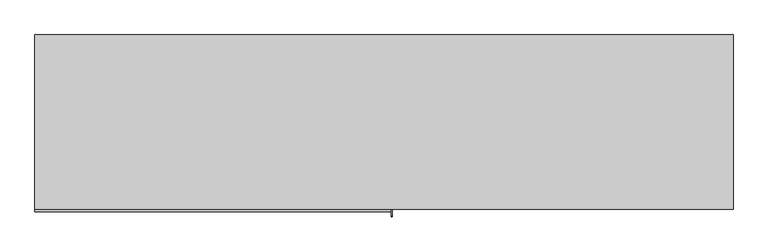
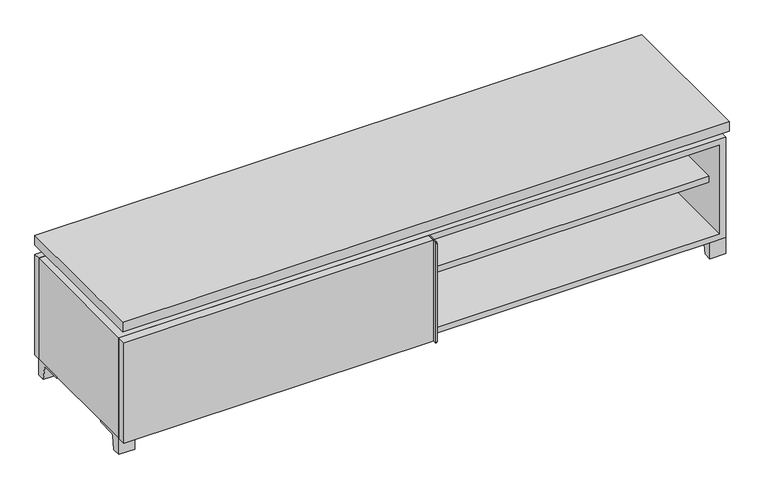
"""IFC4 building model written with IfcOpenShell, lengths in millimetres: furniture geometry."""

import ifcopenshell
import ifcopenshell.guid

model = None  # the IFC model being written
_history = None  # IfcOwnerHistory: only IFC2X3 demands one
_inside = {}  # id of a spatial element -> (the spatial element, [elements in it])
_under = {}  # id of a project, library or spatial element -> (it, [spatial elements below it])
_declared = {}  # id of a project -> (the project, [libraries it declares])
_typed = {}  # id of a type object -> (the type object, [elements of that type])
_made_of = {}  # id of a material, layer set ... -> (it, [elements and type objects made of it])


def new_model(schema):
    """Start an empty IFC model of exactly this schema.

    Asked for "IFC4X3", IfcOpenShell would pick the latest addendum, in which some entities
    have other attributes; the version numbers below select the first issue.
    IFC2X3 requires an IfcOwnerHistory on every rooted entity: one is made here for all.
    """
    global model, _history
    if schema == "IFC4X3":
        model = ifcopenshell.file(schema_version=(4, 3, 0, 0))
    else:
        model = ifcopenshell.file(schema=schema)
    _inside.clear()
    _under.clear()
    _declared.clear()
    _typed.clear()
    _made_of.clear()
    _history = None
    if model.schema == "IFC2X3":
        org = make("IfcOrganization", Name="unknown")
        user = make(
            "IfcPersonAndOrganization",
            ThePerson=make("IfcPerson", FamilyName="unknown"),
            TheOrganization=org,
        )
        app = make(
            "IfcApplication",
            ApplicationDeveloper=org,
            Version="unknown",
            ApplicationFullName="unknown",
            ApplicationIdentifier="unknown",
        )
        _history = make(
            "IfcOwnerHistory",
            OwningUser=user,
            OwningApplication=app,
            ChangeAction="ADDED",
            CreationDate=0,
        )
    return model


def make(cls, **values):
    """One entity of the class cls with the attributes given. An attribute that is None is left unset."""
    return model.create_entity(
        cls, **{name: value for name, value in values.items() if value is not None}
    )


def rooted(cls, **values):
    """An entity with a GlobalId (a new one), such as an element, a storey or a relation."""
    return make(cls, GlobalId=ifcopenshell.guid.new(), OwnerHistory=_history, **values)


def si_unit(unit_type, name, prefix=None):
    """IfcSIUnit, for example si_unit("LENGTHUNIT", "METRE", prefix="MILLI")."""
    return make("IfcSIUnit", UnitType=unit_type, Prefix=prefix, Name=name)


def assignment(units):
    """IfcUnitAssignment: the units of a project."""
    return None if units is None else make("IfcUnitAssignment", Units=units)


def point(xyz):
    """IfcCartesianPoint."""
    return None if xyz is None else make("IfcCartesianPoint", Coordinates=xyz)


def direction(xyz):
    """IfcDirection."""
    return None if xyz is None else make("IfcDirection", DirectionRatios=xyz)


def frame(location, z_axis=None, x_axis=None):
    """IfcAxis2Placement3D, a coordinate frame: its origin and axes. An axis left out is left unset."""
    return make(
        "IfcAxis2Placement3D",
        Location=point(location),
        Axis=direction(z_axis),
        RefDirection=direction(x_axis),
    )


def frame_2d(location, x_axis=None):
    """IfcAxis2Placement2D, a coordinate frame in the plane: its origin and x axis."""
    return make(
        "IfcAxis2Placement2D", Location=point(location), RefDirection=direction(x_axis)
    )


def origin():
    """The frame at (0, 0, 0) with its axes left unset."""
    return frame((0.0, 0.0, 0.0))


def place(relative_to, where):
    """IfcLocalPlacement: puts the frame where relative to a parent placement (None: the world)."""
    return make(
        "IfcLocalPlacement", PlacementRelTo=relative_to, RelativePlacement=where
    )


def context(
    kind, dimensions, precision=None, world=None, true_north=None, identifier=None
):
    """IfcGeometricRepresentationContext, for example the 3D "Model" context."""
    return make(
        "IfcGeometricRepresentationContext",
        ContextIdentifier=identifier,
        ContextType=kind,
        CoordinateSpaceDimension=dimensions,
        Precision=precision,
        WorldCoordinateSystem=world,
        TrueNorth=true_north,
    )


def project(units=None, contexts=None):
    """IfcProject with its units and contexts."""
    return rooted(
        "IfcProject",
        Name="project",
        RepresentationContexts=contexts,
        UnitsInContext=assignment(units),
    )


def spatial(cls, under=None, at=None, **own):
    """A site, building, storey or space (cls), placed at a placement, below another one or the project."""
    s = rooted(cls, ObjectPlacement=at, **own)
    if under is not None:
        _under.setdefault(under.id(), (under, []))[1].append(s)
    return s


def polyline(points):
    """IfcPolyline through the points."""
    return make("IfcPolyline", Points=[point(p) for p in points])


def circle_curve(where, radius):
    """IfcCircle in the frame where."""
    return make("IfcCircle", Position=where, Radius=radius)


def trimmed(basis, trim1, trim2, sense, master):
    """IfcTrimmedCurve: the piece of a basis curve between two trims."""
    return make(
        "IfcTrimmedCurve",
        BasisCurve=basis,
        Trim1=trim1,
        Trim2=trim2,
        SenseAgreement=sense,
        MasterRepresentation=master,
    )


def segment(curve, same_sense, transition):
    """IfcCompositeCurveSegment."""
    return make(
        "IfcCompositeCurveSegment",
        Transition=transition,
        SameSense=same_sense,
        ParentCurve=curve,
    )


def composite_curve(segments, self_intersect=None):
    """IfcCompositeCurve: segments joined end to end."""
    return make("IfcCompositeCurve", Segments=segments, SelfIntersect=self_intersect)


def outline(outer, holes=None, kind="AREA"):
    """IfcArbitraryClosedProfileDef: a profile drawn as a closed curve; with holes, ...WithVoids."""
    if holes is None:
        return make("IfcArbitraryClosedProfileDef", ProfileType=kind, OuterCurve=outer)
    return make(
        "IfcArbitraryProfileDefWithVoids",
        ProfileType=kind,
        OuterCurve=outer,
        InnerCurves=holes,
    )


def extrude(swept, where, along, depth):
    """IfcExtrudedAreaSolid: the profile swept, set in the frame where, extruded along a direction by depth."""
    return make(
        "IfcExtrudedAreaSolid",
        SweptArea=swept,
        Position=where,
        ExtrudedDirection=direction(along),
        Depth=depth,
    )


def faces_of(points, faces, orient=None, outer=None):
    """IfcFace entities. A face is a list of loops; a loop is a list of indices into points, from 0.

    orient and outer hold one flag for each loop. By default every Orientation is true, the
    first loop of a face is its IfcFaceOuterBound and the others are IfcFaceBound.
    """
    made = []
    for i, loops in enumerate(faces):
        bounds = []
        for j, loop in enumerate(loops):
            is_outer = j == 0 if outer is None else outer[i][j]
            bounds.append(
                make(
                    "IfcFaceOuterBound" if is_outer else "IfcFaceBound",
                    Bound=make("IfcPolyLoop", Polygon=[points[k] for k in loop]),
                    Orientation=True if orient is None else orient[i][j],
                )
            )
        made.append(make("IfcFace", Bounds=bounds))
    return made


def faceted_brep(points, faces, orient=None, outer=None, voids=None):
    """IfcFacetedBrep: a solid bounded by flat faces; with voids (closed shells), ...WithVoids."""
    shared = [point(p) for p in points]
    hull = make("IfcClosedShell", CfsFaces=faces_of(shared, faces, orient, outer))
    if voids is None:
        return make("IfcFacetedBrep", Outer=hull)
    return make(
        "IfcFacetedBrepWithVoids",
        Outer=hull,
        Voids=[
            make(cls, CfsFaces=faces_of(shared, fs, o, b)) for cls, fs, o, b in voids
        ],
    )


def shape(context_of_items, identifier, shape_type, items):
    """IfcShapeRepresentation: the items that make up one representation, for example the "Body"."""
    return make(
        "IfcShapeRepresentation",
        ContextOfItems=context_of_items,
        RepresentationIdentifier=identifier,
        RepresentationType=shape_type,
        Items=items,
    )


def source(mapping_origin, context_of_items, identifier, shape_type, items):
    """IfcRepresentationMap: a shape defined once, which mapped items show again and again."""
    return make(
        "IfcRepresentationMap",
        MappingOrigin=mapping_origin,
        MappedRepresentation=shape(context_of_items, identifier, shape_type, items),
    )


def transform(
    local_origin,
    x_axis=None,
    y_axis=None,
    z_axis=None,
    scale=None,
    scale2=None,
    scale3=None,
    uniform=True,
):
    """IfcCartesianTransformationOperator3D, or its non-uniform kind. x_axis, y_axis, z_axis: its Axis1, 2, 3."""
    if uniform:
        return make(
            "IfcCartesianTransformationOperator3D",
            Axis1=direction(x_axis),
            Axis2=direction(y_axis),
            LocalOrigin=point(local_origin),
            Scale=scale,
            Axis3=direction(z_axis),
        )
    return make(
        "IfcCartesianTransformationOperator3DnonUniform",
        Axis1=direction(x_axis),
        Axis2=direction(y_axis),
        LocalOrigin=point(local_origin),
        Scale=scale,
        Axis3=direction(z_axis),
        Scale2=scale2,
        Scale3=scale3,
    )


def mapped(mapping_source, mapping_target):
    """IfcMappedItem: shows the shape of a source again, moved by a transform."""
    return make(
        "IfcMappedItem", MappingSource=mapping_source, MappingTarget=mapping_target
    )


def made_of(thing, what):
    """Note that an element or type object is made of a material, layer set ...; save() writes the relation."""
    if what is not None:
        _made_of.setdefault(what.id(), (what, []))[1].append(thing)
    return thing


def element(
    cls,
    number,
    at=None,
    inside=None,
    cuts=None,
    type_object=None,
    material=None,
    context=None,
    identifier="Body",
    shape_type=None,
    held_by="IfcProductDefinitionShape",
    body=None,
    shapes=None,
    **own,
):
    """One element of the class cls, such as IfcWall. Its Tag is "e" and its number.

    at: its placement. inside: the storey or other place that contains it. cuts: it is an
    opening in that element (IfcRelVoidsElement). A single representation is given by context,
    identifier, shape_type and body (its items); several are given by shapes. held_by: the class
    of the entity that holds the representations. save() writes the other relations.
    """
    e = rooted(cls, Tag="e%d" % number, ObjectPlacement=at, **own)
    if body is not None:
        shapes = [shape(context, identifier, shape_type, body)]
    if shapes is not None:
        e.Representation = make(held_by, Representations=shapes)
    if inside is not None:
        _inside.setdefault(inside.id(), (inside, []))[1].append(e)
    if cuts is not None:
        rooted(
            "IfcRelVoidsElement", RelatingBuildingElement=cuts, RelatedOpeningElement=e
        )
    if type_object is not None:
        _typed.setdefault(type_object.id(), (type_object, []))[1].append(e)
    return made_of(e, material)


def aggregate(whole, parts):
    """IfcRelAggregates: a whole, such as a stair, and the parts it consists of."""
    return rooted("IfcRelAggregates", RelatingObject=whole, RelatedObjects=parts)


def save(model, path):
    """Write the relations noted so far, then the file.

    IfcRelAggregates (storeys below a building ...), IfcRelContainedInSpatialStructure (elements
    in a storey), IfcRelDefinesByType, IfcRelAssociatesMaterial and IfcRelDeclares: one each for
    every whole, place, type object, material and project.
    """
    for whole, parts in _under.values():
        aggregate(whole, parts)
    for where, things in _inside.values():
        rooted(
            "IfcRelContainedInSpatialStructure",
            RelatedElements=things,
            RelatingStructure=where,
        )
    for kind, things in _typed.values():
        rooted("IfcRelDefinesByType", RelatedObjects=things, RelatingType=kind)
    for what, things in _made_of.values():
        rooted("IfcRelAssociatesMaterial", RelatedObjects=things, RelatingMaterial=what)
    for by, libraries in _declared.values():
        rooted("IfcRelDeclares", RelatingContext=by, RelatedDefinitions=libraries)
    model.write(path)


def furniture_37a03dc7(model_context):
    return source(origin(), model_context, "Body", "SolidModel", [
        extrude(outline(polyline([(9.5319453, 241.3), (895.3569453, 241.3), (895.3569453, -92.075), (9.5319453, -92.075), (9.5319453, 241.3)])), frame((0.0, 0.0, 201.6125), z_axis=(0.0, 0.0, 1.0), x_axis=(1.0, 0.0, 0.0)), (0.0, 0.0, 1.0), 19.05),
        extrude(outline(polyline([(-9.5041641, 241.3), (-9.5041641, -92.075), (-895.3291641, -92.075), (-895.3291641, 241.3), (-9.5041641, 241.3)])), frame((0.0, 0.0, 201.6125), z_axis=(0.0, 0.0, 1.0), x_axis=(1.0, 0.0, 0.0)), (0.0, 0.0, 1.0), 19.05),
        extrude(outline(composite_curve([segment(polyline([(47.6249864, 0.0), (22.225, 0.0), (22.225, 50.8), (117.475, 50.8), (117.475, 46.0213321), (60.6744655, 46.0213321)]), True, "CONTINUOUS"), segment(trimmed(circle_curve(frame_2d((60.6744655, 39.6713321)), 6.35), [point((60.6744655, 46.0213321))], [point((54.4108641, 40.7152656))], True, "CARTESIAN"), True, "CONTINUOUS"), segment(polyline([(54.4108641, 40.7152656), (47.6249864, 0.0)]), True, "CONTINUOUS")], self_intersect=False)), frame((-23.7986094, 0.0, 0.0), z_axis=(1.0, 0.0, 0.0), x_axis=(0.0, 1.0, 0.0)), (0.0, 0.0, 1.0), 47.625),
        extrude(outline(polyline([(914.4138906, 292.1), (914.4138906, -165.1), (-914.3861094, -165.1), (-914.3861094, 292.1), (914.4138906, 292.1)])), frame((0.0, 0.0, 401.6375), z_axis=(0.0, 0.0, 1.0), x_axis=(1.0, 0.0, 0.0)), (0.0, 0.0, 1.0), 30.1625),
        extrude(outline(composite_curve([segment(polyline([(-146.05, 371.475), (-146.05, 50.8), (-180.975, 50.8)]), True, "CONTINUOUS"), segment(trimmed(circle_curve(frame_2d((-180.975, 53.975)), 3.175), [point((-180.975, 50.8))], [point((-184.15, 53.975))], False, "CARTESIAN"), True, "CONTINUOUS"), segment(polyline([(-184.15, 53.975), (-184.15, 368.3)]), True, "CONTINUOUS"), segment(trimmed(circle_curve(frame_2d((-180.975, 368.3)), 3.175), [point((-184.15, 368.3))], [point((-180.975, 371.475))], False, "CARTESIAN"), True, "CONTINUOUS"), segment(polyline([(-180.975, 371.475), (-146.05, 371.475)]), True, "CONTINUOUS")], self_intersect=False)), frame((19.0638906, 0.0, 0.0), z_axis=(1.0, 0.0, 0.0), x_axis=(0.0, 1.0, 0.0)), (0.0, 0.0, 1.0), 3.175),
        extrude(outline(polyline([(-914.3861094, -146.05), (19.0638906, -146.05), (19.0638906, -171.45), (-914.3861094, -171.45), (-914.3861094, -146.05)])), frame((0.0, 0.0, 50.8), z_axis=(0.0, 0.0, 1.0), x_axis=(1.0, 0.0, 0.0)), (0.0, 0.0, 1.0), 320.675),
        extrude(outline(composite_curve([segment(polyline([(-120.6500136, 0.0), (-146.05, 0.0), (-146.05, 50.8), (-50.8, 50.8), (-50.8, 46.0213321), (-107.6005345, 46.0213321)]), True, "CONTINUOUS"), segment(trimmed(circle_curve(frame_2d((-107.6005345, 39.6713321)), 6.35), [point((-107.6005345, 46.0213321))], [point((-113.8641359, 40.7152656))], True, "CARTESIAN"), True, "CONTINUOUS"), segment(polyline([(-113.8641359, 40.7152656), (-120.6500136, 0.0)]), True, "CONTINUOUS")], self_intersect=False)), frame((866.7888906, 0.0, 0.0), z_axis=(1.0, 0.0, 0.0), x_axis=(0.0, 1.0, 0.0)), (0.0, 0.0, 1.0), 47.625),
        extrude(outline(composite_curve([segment(polyline([(247.6500136, 0.0), (240.8641359, 40.7152656)]), True, "CONTINUOUS"), segment(trimmed(circle_curve(frame_2d((234.6005345, 39.6713321)), 6.35), [point((240.8641359, 40.7152656))], [point((234.6005345, 46.0213321))], True, "CARTESIAN"), True, "CONTINUOUS"), segment(polyline([(234.6005345, 46.0213321), (177.8, 46.0213321), (177.8, 50.8), (273.05, 50.8), (273.05, 0.0), (247.6500136, 0.0)]), True, "CONTINUOUS")], self_intersect=False)), frame((866.7888906, 0.0, 0.0), z_axis=(1.0, 0.0, 0.0), x_axis=(0.0, 1.0, 0.0)), (0.0, 0.0, 1.0), 47.625),
        extrude(outline(composite_curve([segment(polyline([(-120.6500136, 0.0), (-146.05, 0.0), (-146.05, 50.8), (-50.8, 50.8), (-50.8, 46.0213321), (-107.6005345, 46.0213321)]), True, "CONTINUOUS"), segment(trimmed(circle_curve(frame_2d((-107.6005345, 39.6713321)), 6.35), [point((-107.6005345, 46.0213321))], [point((-113.8641359, 40.7152656))], True, "CARTESIAN"), True, "CONTINUOUS"), segment(polyline([(-113.8641359, 40.7152656), (-120.6500136, 0.0)]), True, "CONTINUOUS")], self_intersect=False)), frame((-914.3861094, 0.0, 0.0), z_axis=(1.0, 0.0, 0.0), x_axis=(0.0, 1.0, 0.0)), (0.0, 0.0, 1.0), 47.625),
        extrude(outline(composite_curve([segment(polyline([(247.6500136, 0.0), (240.8641359, 40.7152656)]), True, "CONTINUOUS"), segment(trimmed(circle_curve(frame_2d((234.6005345, 39.6713321)), 6.35), [point((240.8641359, 40.7152656))], [point((234.6005345, 46.0213321))], True, "CARTESIAN"), True, "CONTINUOUS"), segment(polyline([(234.6005345, 46.0213321), (177.8, 46.0213321), (177.8, 50.8), (273.05, 50.8), (273.05, 0.0), (247.6500136, 0.0)]), True, "CONTINUOUS")], self_intersect=False)), frame((-914.3861094, 0.0, 0.0), z_axis=(1.0, 0.0, 0.0), x_axis=(0.0, 1.0, 0.0)), (0.0, 0.0, 1.0), 47.625),
        faceted_brep([(7.9513906, -120.65, 401.6375), (7.9513906, -120.65, 371.475), (7.9513906, 53.975, 371.475), (7.9513906, 53.975, 401.6375), (7.9513906, 247.65, 371.475), (7.9513906, 247.65, 401.6375), (7.9513906, 73.025, 401.6375), (7.9513906, 73.025, 371.475), (-7.9236094, 247.65, 401.6375), (-7.9236094, 247.65, 371.475), (-7.9236094, 73.025, 371.475), (-7.9236094, 73.025, 401.6375), (-7.9236094, -120.65, 371.475), (-7.9236094, -120.65, 401.6375), (-7.9236094, 53.975, 401.6375), (-7.9236094, 53.975, 371.475), (-873.0833281, 73.025, 401.6375), (-873.1041641, 247.65, 401.6375), (-888.9791641, 247.65, 401.6375), (-888.9791641, -120.65, 401.6375), (-873.1041641, -120.65, 401.6375), (-873.1041641, 53.975, 401.6375), (873.1111094, 53.975, 401.6375), (873.1111094, -120.65, 401.6375), (888.9861094, -120.65, 401.6375), (888.9861094, 247.65, 401.6375), (873.1111094, 247.65, 401.6375), (873.1111094, 73.025, 401.6375), (-873.0833281, 53.975, 371.475), (-873.1041641, -120.65, 371.475), (-888.9791641, -120.65, 371.475), (-888.9791641, 247.65, 371.475), (-873.1041641, 247.65, 371.475), (-873.1041641, 73.025, 371.475), (873.1111094, 73.025, 371.475), (873.1111094, 247.65, 371.475), (888.9861094, 247.65, 371.475), (888.9861094, -120.65, 371.475), (873.1111094, -120.65, 371.475), (873.1111094, 53.975, 371.475)], [[[0, 1, 2, 3]], [[4, 5, 6, 7]], [[8, 9, 10, 11]], [[12, 13, 14, 15]], [[5, 8, 11, 16, 17, 18, 19, 20, 21, 14, 13, 0, 3, 22, 23, 24, 25, 26, 27, 6]], [[1, 12, 15, 28, 29, 30, 31, 32, 33, 10, 9, 4, 7, 34, 35, 36, 37, 38, 39, 2]], [[5, 4, 9, 8]], [[1, 0, 13, 12]], [[6, 27, 34, 7]], [[22, 3, 2, 39]], [[20, 29, 28, 21]], [[32, 17, 16, 33]], [[18, 31, 30, 19]], [[29, 20, 19, 30]], [[17, 32, 31, 18]], [[26, 35, 34, 27]], [[38, 23, 22, 39]], [[25, 24, 37, 36]], [[23, 38, 37, 24]], [[35, 26, 25, 36]], [[16, 11, 10, 33]], [[14, 21, 28, 15]]]),
        extrude(outline(polyline([(9.5388906, 241.3), (9.5388906, -95.25), (-9.5111094, -95.25), (-9.5111094, 241.3), (9.5388906, 241.3)])), frame((0.0, 0.0, 69.85), z_axis=(0.0, 0.0, 1.0), x_axis=(1.0, 0.0, 0.0)), (0.0, 0.0, 1.0), 282.575),
        extrude(outline(polyline([(15.8888906, -88.9), (15.8888906, -146.05), (-9.5111094, -146.05), (-9.5111094, -120.65), (3.1888906, -120.65), (3.1888906, -88.9), (15.8888906, -88.9)])), frame((0.0, 0.0, 69.85), z_axis=(0.0, 0.0, 1.0), x_axis=(1.0, 0.0, 0.0)), (0.0, 0.0, 1.0), 282.575),
        extrude(outline(polyline([(914.4138906, 273.05), (-914.3861094, 273.05), (-914.3861094, 292.1), (914.4138906, 292.1), (914.4138906, 273.05)])), frame((0.0, 0.0, 50.8), z_axis=(0.0, 0.0, 1.0), x_axis=(1.0, 0.0, 0.0)), (0.0, 0.0, 1.0), 320.675),
        extrude(outline(polyline([(50.8, -914.3861094), (50.8, 914.4), (371.475, 914.4), (371.475, -914.3861094), (50.8, -914.3861094)]), holes=[polyline([(69.85, -895.3361094), (352.425, -895.3361094), (352.425, 895.3361094), (69.85, 895.3361094), (69.85, -895.3361094)])]), frame((0.0, -146.05, 0.0), z_axis=(0.0, 1.0, 0.0), x_axis=(0.0, 0.0, 1.0)), (0.0, 0.0, 1.0), 419.1),
        extrude(outline(polyline([(-895.3291641, 241.3), (-895.3291641, 247.65), (895.3569453, 247.65), (895.3569453, 241.3), (-895.3291641, 241.3)])), frame((0.0, 0.0, 69.85), z_axis=(0.0, 0.0, 1.0), x_axis=(1.0, 0.0, 0.0)), (0.0, 0.0, 1.0), 282.575),
    ])


if __name__ == "__main__":
    model = new_model("IFC4")
    model_context = context("Model", 3, world=origin())
    ifc_project = project(units=[si_unit("LENGTHUNIT", "METRE", prefix="MILLI")], contexts=[model_context])
    site = spatial("IfcSite", under=ifc_project)
    building = spatial("IfcBuilding", under=site)
    placement = place(None, origin())
    furniture_shape = furniture_37a03dc7(model_context)
    element("IfcFurniture", 1, at=placement, inside=building, context=model_context, shape_type="MappedRepresentation", body=[
        mapped(furniture_shape, transform((0.0, 0.0, 0.0), x_axis=(1.0, 0.0, 0.0), y_axis=(0.0, 1.0, 0.0), z_axis=(0.0, 0.0, 1.0))),
    ])
    save(model, "model.ifc")
